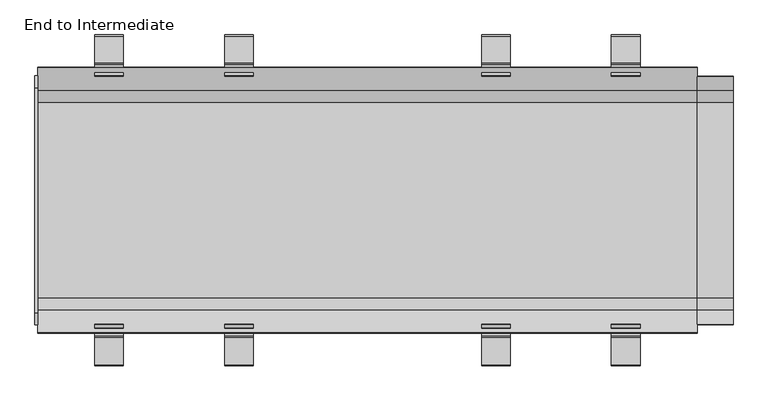
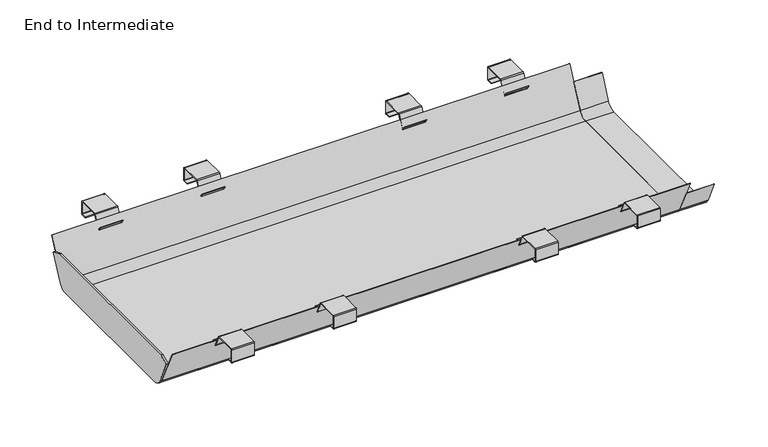
"""IFC4 building model written with IfcOpenShell, lengths in millimetres: furniture geometry, End to Intermediate."""

from ifc_helpers import new_model, si_unit, point, frame, frame_2d, origin, place, context, project, spatial, polyline, circle_curve, trimmed, segment, composite_curve, outline, extrude, source, transform, mapped, element, save


def end_to_intermediate_1614ceb4(model_context):
    return source(origin(), model_context, "Body", "SweptSolid", [
        extrude(outline(composite_curve([segment(trimmed(circle_curve(frame_2d((314.3902006, 688.9500511)), 2.2675383), [point((314.3902006, 691.2175894))], [point((316.6577389, 688.9500511))], False, "CARTESIAN"), True, "CONTINUOUS"), segment(polyline([(316.6577389, 688.9500511), (316.6577389, 658.7282211)]), True, "CONTINUOUS"), segment(trimmed(circle_curve(frame_2d((314.147136, 658.7282211)), 2.5106029), [point((316.6577389, 658.7282211))], [point((314.147136, 656.2176182))], False, "CARTESIAN"), True, "CONTINUOUS"), segment(polyline([(314.147136, 656.2176182), (301.6596991, 656.2176182), (301.6596991, 657.7175993), (314.1843397, 657.7175993)]), True, "CONTINUOUS"), segment(trimmed(circle_curve(frame_2d((314.1843397, 658.6910173)), 0.973418), [point((314.1843397, 657.7175993))], [point((315.1577577, 658.6910173))], True, "CARTESIAN"), True, "CONTINUOUS"), segment(polyline([(315.1577577, 658.6910173), (315.1577577, 688.5126976)]), True, "CONTINUOUS"), segment(trimmed(circle_curve(frame_2d((313.9528471, 688.5126976)), 1.2049106), [point((315.1577577, 688.5126976))], [point((313.9528471, 689.7176083))], True, "CARTESIAN"), True, "CONTINUOUS"), segment(polyline([(313.9528471, 689.7176083), (262.1811743, 689.7176083)]), True, "CONTINUOUS"), segment(trimmed(circle_curve(frame_2d((262.1811743, 688.8265414)), 0.8910668), [point((262.1811743, 689.7176083))], [point((261.3735958, 689.2031275))], True, "CARTESIAN"), True, "CONTINUOUS"), segment(polyline([(261.3735958, 689.2031275), (247.8059576, 660.1076971)]), True, "CONTINUOUS"), segment(trimmed(circle_curve(frame_2d((245.517585, 661.1747998)), 2.524947), [point((247.8059576, 660.1076971))], [point((243.4492366, 659.7265967))], False, "CARTESIAN"), True, "CONTINUOUS"), segment(polyline([(243.4492366, 659.7265967), (237.3549672, 668.4305362), (238.583501, 669.2907232), (244.4904732, 660.8544166)]), True, "CONTINUOUS"), segment(trimmed(circle_curve(frame_2d((245.4846589, 661.5505301)), 1.2136636), [point((244.4904732, 660.8544166))], [point((246.5846085, 661.037607))], True, "CARTESIAN"), True, "CONTINUOUS"), segment(polyline([(246.5846085, 661.037607), (259.8430196, 689.4699085)]), True, "CONTINUOUS"), segment(trimmed(circle_curve(frame_2d((262.5863476, 688.1906532)), 3.0269361), [point((259.8430196, 689.4699085))], [point((262.5863476, 691.2175894))], False, "CARTESIAN"), True, "CONTINUOUS"), segment(polyline([(262.5863476, 691.2175894), (314.3902006, 691.2175894)]), True, "CONTINUOUS")], self_intersect=False)), frame((-522.0245546, 0.0, 0.0), z_axis=(1.0, 0.0, 0.0), x_axis=(0.0, 1.0, 0.0)), (0.0, 0.0, 1.0), 55.0186294),
        extrude(outline(composite_curve([segment(polyline([(-314.3902006, 691.2175894), (-262.5863476, 691.2175894)]), True, "CONTINUOUS"), segment(trimmed(circle_curve(frame_2d((-262.5863476, 688.1906532)), 3.0269361), [point((-262.5863476, 691.2175894))], [point((-259.8430196, 689.4699085))], False, "CARTESIAN"), True, "CONTINUOUS"), segment(polyline([(-259.8430196, 689.4699085), (-246.5846085, 661.037607)]), True, "CONTINUOUS"), segment(trimmed(circle_curve(frame_2d((-245.4846589, 661.5505301)), 1.2136636), [point((-246.5846085, 661.037607))], [point((-244.4904732, 660.8544166))], True, "CARTESIAN"), True, "CONTINUOUS"), segment(polyline([(-244.4904732, 660.8544166), (-238.583501, 669.2907232), (-237.3549672, 668.4305362), (-243.4492366, 659.7265967)]), True, "CONTINUOUS"), segment(trimmed(circle_curve(frame_2d((-245.517585, 661.1747998)), 2.524947), [point((-243.4492366, 659.7265967))], [point((-247.8059576, 660.1076971))], False, "CARTESIAN"), True, "CONTINUOUS"), segment(polyline([(-247.8059576, 660.1076971), (-261.3735958, 689.2031275)]), True, "CONTINUOUS"), segment(trimmed(circle_curve(frame_2d((-262.1811743, 688.8265414)), 0.8910668), [point((-261.3735958, 689.2031275))], [point((-262.1811743, 689.7176083))], True, "CARTESIAN"), True, "CONTINUOUS"), segment(polyline([(-262.1811743, 689.7176083), (-313.9528471, 689.7176083)]), True, "CONTINUOUS"), segment(trimmed(circle_curve(frame_2d((-313.9528471, 688.5126976)), 1.2049106), [point((-313.9528471, 689.7176083))], [point((-315.1577577, 688.5126976))], True, "CARTESIAN"), True, "CONTINUOUS"), segment(polyline([(-315.1577577, 688.5126976), (-315.1577577, 658.6910173)]), True, "CONTINUOUS"), segment(trimmed(circle_curve(frame_2d((-314.1843397, 658.6910173)), 0.973418), [point((-315.1577577, 658.6910173))], [point((-314.1843397, 657.7175993))], True, "CARTESIAN"), True, "CONTINUOUS"), segment(polyline([(-314.1843397, 657.7175993), (-301.6596991, 657.7175993), (-301.6596991, 656.2176182), (-314.147136, 656.2176182)]), True, "CONTINUOUS"), segment(trimmed(circle_curve(frame_2d((-314.147136, 658.7282211)), 2.5106029), [point((-314.147136, 656.2176182))], [point((-316.6577389, 658.7282211))], False, "CARTESIAN"), True, "CONTINUOUS"), segment(polyline([(-316.6577389, 658.7282211), (-316.6577389, 688.9500511)]), True, "CONTINUOUS"), segment(trimmed(circle_curve(frame_2d((-314.3902006, 688.9500511)), 2.2675383), [point((-316.6577389, 688.9500511))], [point((-314.3902006, 691.2175894))], False, "CARTESIAN"), True, "CONTINUOUS")], self_intersect=False)), frame((-522.0245546, 0.0, 0.0), z_axis=(1.0, 0.0, 0.0), x_axis=(0.0, 1.0, 0.0)), (0.0, 0.0, 1.0), 55.0186294),
        extrude(outline(composite_curve([segment(trimmed(circle_curve(frame_2d((314.3902006, 688.9500511)), 2.2675383), [point((314.3902006, 691.2175894))], [point((316.6577389, 688.9500511))], False, "CARTESIAN"), True, "CONTINUOUS"), segment(polyline([(316.6577389, 688.9500511), (316.6577389, 658.7282211)]), True, "CONTINUOUS"), segment(trimmed(circle_curve(frame_2d((314.147136, 658.7282211)), 2.5106029), [point((316.6577389, 658.7282211))], [point((314.147136, 656.2176182))], False, "CARTESIAN"), True, "CONTINUOUS"), segment(polyline([(314.147136, 656.2176182), (301.6596991, 656.2176182), (301.6596991, 657.7175993), (314.1843397, 657.7175993)]), True, "CONTINUOUS"), segment(trimmed(circle_curve(frame_2d((314.1843397, 658.6910173)), 0.973418), [point((314.1843397, 657.7175993))], [point((315.1577577, 658.6910173))], True, "CARTESIAN"), True, "CONTINUOUS"), segment(polyline([(315.1577577, 658.6910173), (315.1577577, 688.5126976)]), True, "CONTINUOUS"), segment(trimmed(circle_curve(frame_2d((313.9528471, 688.5126976)), 1.2049106), [point((315.1577577, 688.5126976))], [point((313.9528471, 689.7176083))], True, "CARTESIAN"), True, "CONTINUOUS"), segment(polyline([(313.9528471, 689.7176083), (262.1811743, 689.7176083)]), True, "CONTINUOUS"), segment(trimmed(circle_curve(frame_2d((262.1811743, 688.8265414)), 0.8910668), [point((262.1811743, 689.7176083))], [point((261.3735958, 689.2031275))], True, "CARTESIAN"), True, "CONTINUOUS"), segment(polyline([(261.3735958, 689.2031275), (247.8059576, 660.1076971)]), True, "CONTINUOUS"), segment(trimmed(circle_curve(frame_2d((245.517585, 661.1747998)), 2.524947), [point((247.8059576, 660.1076971))], [point((243.4492366, 659.7265967))], False, "CARTESIAN"), True, "CONTINUOUS"), segment(polyline([(243.4492366, 659.7265967), (237.3549672, 668.4305362), (238.583501, 669.2907232), (244.4904732, 660.8544166)]), True, "CONTINUOUS"), segment(trimmed(circle_curve(frame_2d((245.4846589, 661.5505301)), 1.2136636), [point((244.4904732, 660.8544166))], [point((246.5846085, 661.037607))], True, "CARTESIAN"), True, "CONTINUOUS"), segment(polyline([(246.5846085, 661.037607), (259.8430196, 689.4699085)]), True, "CONTINUOUS"), segment(trimmed(circle_curve(frame_2d((262.5863476, 688.1906532)), 3.0269361), [point((259.8430196, 689.4699085))], [point((262.5863476, 691.2175894))], False, "CARTESIAN"), True, "CONTINUOUS"), segment(polyline([(262.5863476, 691.2175894), (314.3902006, 691.2175894)]), True, "CONTINUOUS")], self_intersect=False)), frame((-273.4528805, 0.0, 0.0), z_axis=(1.0, 0.0, 0.0), x_axis=(0.0, 1.0, 0.0)), (0.0, 0.0, 1.0), 54.9870932),
        extrude(outline(composite_curve([segment(polyline([(-314.3902006, 691.2175894), (-262.5863476, 691.2175894)]), True, "CONTINUOUS"), segment(trimmed(circle_curve(frame_2d((-262.5863476, 688.1906532)), 3.0269361), [point((-262.5863476, 691.2175894))], [point((-259.8430196, 689.4699085))], False, "CARTESIAN"), True, "CONTINUOUS"), segment(polyline([(-259.8430196, 689.4699085), (-246.5846085, 661.037607)]), True, "CONTINUOUS"), segment(trimmed(circle_curve(frame_2d((-245.4846589, 661.5505301)), 1.2136636), [point((-246.5846085, 661.037607))], [point((-244.4904732, 660.8544166))], True, "CARTESIAN"), True, "CONTINUOUS"), segment(polyline([(-244.4904732, 660.8544166), (-238.583501, 669.2907232), (-237.3549672, 668.4305362), (-243.4492366, 659.7265967)]), True, "CONTINUOUS"), segment(trimmed(circle_curve(frame_2d((-245.517585, 661.1747998)), 2.524947), [point((-243.4492366, 659.7265967))], [point((-247.8059576, 660.1076971))], False, "CARTESIAN"), True, "CONTINUOUS"), segment(polyline([(-247.8059576, 660.1076971), (-261.3735958, 689.2031275)]), True, "CONTINUOUS"), segment(trimmed(circle_curve(frame_2d((-262.1811743, 688.8265414)), 0.8910668), [point((-261.3735958, 689.2031275))], [point((-262.1811743, 689.7176083))], True, "CARTESIAN"), True, "CONTINUOUS"), segment(polyline([(-262.1811743, 689.7176083), (-313.9528471, 689.7176083)]), True, "CONTINUOUS"), segment(trimmed(circle_curve(frame_2d((-313.9528471, 688.5126976)), 1.2049106), [point((-313.9528471, 689.7176083))], [point((-315.1577577, 688.5126976))], True, "CARTESIAN"), True, "CONTINUOUS"), segment(polyline([(-315.1577577, 688.5126976), (-315.1577577, 658.6910173)]), True, "CONTINUOUS"), segment(trimmed(circle_curve(frame_2d((-314.1843397, 658.6910173)), 0.973418), [point((-315.1577577, 658.6910173))], [point((-314.1843397, 657.7175993))], True, "CARTESIAN"), True, "CONTINUOUS"), segment(polyline([(-314.1843397, 657.7175993), (-301.6596991, 657.7175993), (-301.6596991, 656.2176182), (-314.147136, 656.2176182)]), True, "CONTINUOUS"), segment(trimmed(circle_curve(frame_2d((-314.147136, 658.7282211)), 2.5106029), [point((-314.147136, 656.2176182))], [point((-316.6577389, 658.7282211))], False, "CARTESIAN"), True, "CONTINUOUS"), segment(polyline([(-316.6577389, 658.7282211), (-316.6577389, 688.9500511)]), True, "CONTINUOUS"), segment(trimmed(circle_curve(frame_2d((-314.3902006, 688.9500511)), 2.2675383), [point((-316.6577389, 688.9500511))], [point((-314.3902006, 691.2175894))], False, "CARTESIAN"), True, "CONTINUOUS")], self_intersect=False)), frame((-273.4528805, 0.0, 0.0), z_axis=(1.0, 0.0, 0.0), x_axis=(0.0, 1.0, 0.0)), (0.0, 0.0, 1.0), 54.9870932),
        extrude(outline(composite_curve([segment(trimmed(circle_curve(frame_2d((314.3902006, 688.9500511)), 2.2675383), [point((314.3902006, 691.2175894))], [point((316.6577389, 688.9500511))], False, "CARTESIAN"), True, "CONTINUOUS"), segment(polyline([(316.6577389, 688.9500511), (316.6577389, 658.7282211)]), True, "CONTINUOUS"), segment(trimmed(circle_curve(frame_2d((314.147136, 658.7282211)), 2.5106029), [point((316.6577389, 658.7282211))], [point((314.147136, 656.2176182))], False, "CARTESIAN"), True, "CONTINUOUS"), segment(polyline([(314.147136, 656.2176182), (301.6596991, 656.2176182), (301.6596991, 657.7175993), (314.1843397, 657.7175993)]), True, "CONTINUOUS"), segment(trimmed(circle_curve(frame_2d((314.1843397, 658.6910173)), 0.973418), [point((314.1843397, 657.7175993))], [point((315.1577577, 658.6910173))], True, "CARTESIAN"), True, "CONTINUOUS"), segment(polyline([(315.1577577, 658.6910173), (315.1577577, 688.5126976)]), True, "CONTINUOUS"), segment(trimmed(circle_curve(frame_2d((313.9528471, 688.5126976)), 1.2049106), [point((315.1577577, 688.5126976))], [point((313.9528471, 689.7176083))], True, "CARTESIAN"), True, "CONTINUOUS"), segment(polyline([(313.9528471, 689.7176083), (262.1811743, 689.7176083)]), True, "CONTINUOUS"), segment(trimmed(circle_curve(frame_2d((262.1811743, 688.8265414)), 0.8910668), [point((262.1811743, 689.7176083))], [point((261.3735958, 689.2031275))], True, "CARTESIAN"), True, "CONTINUOUS"), segment(polyline([(261.3735958, 689.2031275), (247.8059576, 660.1076971)]), True, "CONTINUOUS"), segment(trimmed(circle_curve(frame_2d((245.517585, 661.1747998)), 2.524947), [point((247.8059576, 660.1076971))], [point((243.4492366, 659.7265967))], False, "CARTESIAN"), True, "CONTINUOUS"), segment(polyline([(243.4492366, 659.7265967), (237.3549672, 668.4305362), (238.583501, 669.2907232), (244.4904732, 660.8544166)]), True, "CONTINUOUS"), segment(trimmed(circle_curve(frame_2d((245.4846589, 661.5505301)), 1.2136636), [point((244.4904732, 660.8544166))], [point((246.5846085, 661.037607))], True, "CARTESIAN"), True, "CONTINUOUS"), segment(polyline([(246.5846085, 661.037607), (259.8430196, 689.4699085)]), True, "CONTINUOUS"), segment(trimmed(circle_curve(frame_2d((262.5863476, 688.1906532)), 3.0269361), [point((259.8430196, 689.4699085))], [point((262.5863476, 691.2175894))], False, "CARTESIAN"), True, "CONTINUOUS"), segment(polyline([(262.5863476, 691.2175894), (314.3902006, 691.2175894)]), True, "CONTINUOUS")], self_intersect=False)), frame((467.0059252, 0.0, 0.0), z_axis=(1.0, 0.0, 0.0), x_axis=(0.0, 1.0, 0.0)), (0.0, 0.0, 1.0), 55.0186294),
        extrude(outline(composite_curve([segment(polyline([(-314.3902006, 691.2175894), (-262.5863476, 691.2175894)]), True, "CONTINUOUS"), segment(trimmed(circle_curve(frame_2d((-262.5863476, 688.1906532)), 3.0269361), [point((-262.5863476, 691.2175894))], [point((-259.8430196, 689.4699085))], False, "CARTESIAN"), True, "CONTINUOUS"), segment(polyline([(-259.8430196, 689.4699085), (-246.5846085, 661.037607)]), True, "CONTINUOUS"), segment(trimmed(circle_curve(frame_2d((-245.4846589, 661.5505301)), 1.2136636), [point((-246.5846085, 661.037607))], [point((-244.4904732, 660.8544166))], True, "CARTESIAN"), True, "CONTINUOUS"), segment(polyline([(-244.4904732, 660.8544166), (-238.583501, 669.2907232), (-237.3549672, 668.4305362), (-243.4492366, 659.7265967)]), True, "CONTINUOUS"), segment(trimmed(circle_curve(frame_2d((-245.517585, 661.1747998)), 2.524947), [point((-243.4492366, 659.7265967))], [point((-247.8059576, 660.1076971))], False, "CARTESIAN"), True, "CONTINUOUS"), segment(polyline([(-247.8059576, 660.1076971), (-261.3735958, 689.2031275)]), True, "CONTINUOUS"), segment(trimmed(circle_curve(frame_2d((-262.1811743, 688.8265414)), 0.8910668), [point((-261.3735958, 689.2031275))], [point((-262.1811743, 689.7176083))], True, "CARTESIAN"), True, "CONTINUOUS"), segment(polyline([(-262.1811743, 689.7176083), (-313.9528471, 689.7176083)]), True, "CONTINUOUS"), segment(trimmed(circle_curve(frame_2d((-313.9528471, 688.5126976)), 1.2049106), [point((-313.9528471, 689.7176083))], [point((-315.1577577, 688.5126976))], True, "CARTESIAN"), True, "CONTINUOUS"), segment(polyline([(-315.1577577, 688.5126976), (-315.1577577, 658.6910173)]), True, "CONTINUOUS"), segment(trimmed(circle_curve(frame_2d((-314.1843397, 658.6910173)), 0.973418), [point((-315.1577577, 658.6910173))], [point((-314.1843397, 657.7175993))], True, "CARTESIAN"), True, "CONTINUOUS"), segment(polyline([(-314.1843397, 657.7175993), (-301.6596991, 657.7175993), (-301.6596991, 656.2176182), (-314.147136, 656.2176182)]), True, "CONTINUOUS"), segment(trimmed(circle_curve(frame_2d((-314.147136, 658.7282211)), 2.5106029), [point((-314.147136, 656.2176182))], [point((-316.6577389, 658.7282211))], False, "CARTESIAN"), True, "CONTINUOUS"), segment(polyline([(-316.6577389, 658.7282211), (-316.6577389, 688.9500511)]), True, "CONTINUOUS"), segment(trimmed(circle_curve(frame_2d((-314.3902006, 688.9500511)), 2.2675383), [point((-316.6577389, 688.9500511))], [point((-314.3902006, 691.2175894))], False, "CARTESIAN"), True, "CONTINUOUS")], self_intersect=False)), frame((467.0059252, 0.0, 0.0), z_axis=(1.0, 0.0, 0.0), x_axis=(0.0, 1.0, 0.0)), (0.0, 0.0, 1.0), 55.0186294),
        extrude(outline(composite_curve([segment(trimmed(circle_curve(frame_2d((314.3902006, 688.9500511)), 2.2675383), [point((314.3902006, 691.2175894))], [point((316.6577389, 688.9500511))], False, "CARTESIAN"), True, "CONTINUOUS"), segment(polyline([(316.6577389, 688.9500511), (316.6577389, 658.7282211)]), True, "CONTINUOUS"), segment(trimmed(circle_curve(frame_2d((314.147136, 658.7282211)), 2.5106029), [point((316.6577389, 658.7282211))], [point((314.147136, 656.2176182))], False, "CARTESIAN"), True, "CONTINUOUS"), segment(polyline([(314.147136, 656.2176182), (301.6596991, 656.2176182), (301.6596991, 657.7175993), (314.1843397, 657.7175993)]), True, "CONTINUOUS"), segment(trimmed(circle_curve(frame_2d((314.1843397, 658.6910173)), 0.973418), [point((314.1843397, 657.7175993))], [point((315.1577577, 658.6910173))], True, "CARTESIAN"), True, "CONTINUOUS"), segment(polyline([(315.1577577, 658.6910173), (315.1577577, 688.5126976)]), True, "CONTINUOUS"), segment(trimmed(circle_curve(frame_2d((313.9528471, 688.5126976)), 1.2049106), [point((315.1577577, 688.5126976))], [point((313.9528471, 689.7176083))], True, "CARTESIAN"), True, "CONTINUOUS"), segment(polyline([(313.9528471, 689.7176083), (262.1811743, 689.7176083)]), True, "CONTINUOUS"), segment(trimmed(circle_curve(frame_2d((262.1811743, 688.8265414)), 0.8910668), [point((262.1811743, 689.7176083))], [point((261.3735958, 689.2031275))], True, "CARTESIAN"), True, "CONTINUOUS"), segment(polyline([(261.3735958, 689.2031275), (247.8059576, 660.1076971)]), True, "CONTINUOUS"), segment(trimmed(circle_curve(frame_2d((245.517585, 661.1747998)), 2.524947), [point((247.8059576, 660.1076971))], [point((243.4492366, 659.7265967))], False, "CARTESIAN"), True, "CONTINUOUS"), segment(polyline([(243.4492366, 659.7265967), (237.3549672, 668.4305362), (238.583501, 669.2907232), (244.4904732, 660.8544166)]), True, "CONTINUOUS"), segment(trimmed(circle_curve(frame_2d((245.4846589, 661.5505301)), 1.2136636), [point((244.4904732, 660.8544166))], [point((246.5846085, 661.037607))], True, "CARTESIAN"), True, "CONTINUOUS"), segment(polyline([(246.5846085, 661.037607), (259.8430196, 689.4699085)]), True, "CONTINUOUS"), segment(trimmed(circle_curve(frame_2d((262.5863476, 688.1906532)), 3.0269361), [point((259.8430196, 689.4699085))], [point((262.5863476, 691.2175894))], False, "CARTESIAN"), True, "CONTINUOUS"), segment(polyline([(262.5863476, 691.2175894), (314.3902006, 691.2175894)]), True, "CONTINUOUS")], self_intersect=False)), frame((218.4657874, 0.0, 0.0), z_axis=(1.0, 0.0, 0.0), x_axis=(0.0, 1.0, 0.0)), (0.0, 0.0, 1.0), 54.9870932),
        extrude(outline(composite_curve([segment(polyline([(-314.3902006, 691.2175894), (-262.5863476, 691.2175894)]), True, "CONTINUOUS"), segment(trimmed(circle_curve(frame_2d((-262.5863476, 688.1906532)), 3.0269361), [point((-262.5863476, 691.2175894))], [point((-259.8430196, 689.4699085))], False, "CARTESIAN"), True, "CONTINUOUS"), segment(polyline([(-259.8430196, 689.4699085), (-246.5846085, 661.037607)]), True, "CONTINUOUS"), segment(trimmed(circle_curve(frame_2d((-245.4846589, 661.5505301)), 1.2136636), [point((-246.5846085, 661.037607))], [point((-244.4904732, 660.8544166))], True, "CARTESIAN"), True, "CONTINUOUS"), segment(polyline([(-244.4904732, 660.8544166), (-238.583501, 669.2907232), (-237.3549672, 668.4305362), (-243.4492366, 659.7265967)]), True, "CONTINUOUS"), segment(trimmed(circle_curve(frame_2d((-245.517585, 661.1747998)), 2.524947), [point((-243.4492366, 659.7265967))], [point((-247.8059576, 660.1076971))], False, "CARTESIAN"), True, "CONTINUOUS"), segment(polyline([(-247.8059576, 660.1076971), (-261.3735958, 689.2031275)]), True, "CONTINUOUS"), segment(trimmed(circle_curve(frame_2d((-262.1811743, 688.8265414)), 0.8910668), [point((-261.3735958, 689.2031275))], [point((-262.1811743, 689.7176083))], True, "CARTESIAN"), True, "CONTINUOUS"), segment(polyline([(-262.1811743, 689.7176083), (-313.9528471, 689.7176083)]), True, "CONTINUOUS"), segment(trimmed(circle_curve(frame_2d((-313.9528471, 688.5126976)), 1.2049106), [point((-313.9528471, 689.7176083))], [point((-315.1577577, 688.5126976))], True, "CARTESIAN"), True, "CONTINUOUS"), segment(polyline([(-315.1577577, 688.5126976), (-315.1577577, 658.6910173)]), True, "CONTINUOUS"), segment(trimmed(circle_curve(frame_2d((-314.1843397, 658.6910173)), 0.973418), [point((-315.1577577, 658.6910173))], [point((-314.1843397, 657.7175993))], True, "CARTESIAN"), True, "CONTINUOUS"), segment(polyline([(-314.1843397, 657.7175993), (-301.6596991, 657.7175993), (-301.6596991, 656.2176182), (-314.147136, 656.2176182)]), True, "CONTINUOUS"), segment(trimmed(circle_curve(frame_2d((-314.147136, 658.7282211)), 2.5106029), [point((-314.147136, 656.2176182))], [point((-316.6577389, 658.7282211))], False, "CARTESIAN"), True, "CONTINUOUS"), segment(polyline([(-316.6577389, 658.7282211), (-316.6577389, 688.9500511)]), True, "CONTINUOUS"), segment(trimmed(circle_curve(frame_2d((-314.3902006, 688.9500511)), 2.2675383), [point((-316.6577389, 688.9500511))], [point((-314.3902006, 691.2175894))], False, "CARTESIAN"), True, "CONTINUOUS")], self_intersect=False)), frame((218.4657874, 0.0, 0.0), z_axis=(1.0, 0.0, 0.0), x_axis=(0.0, 1.0, 0.0)), (0.0, 0.0, 1.0), 54.9870932),
        extrude(outline(composite_curve([segment(polyline([(-236.9729352, 642.5575422), (-210.1530997, 585.0422193)]), True, "CONTINUOUS"), segment(trimmed(circle_curve(frame_2d((-187.495405, 595.6076758)), 25.0), [point((-210.1530997, 585.0422193))], [point((-187.495405, 570.6076758))], True, "CARTESIAN"), True, "CONTINUOUS"), segment(polyline([(-187.495405, 570.6076758), (187.182905, 570.6076758)]), True, "CONTINUOUS"), segment(trimmed(circle_curve(frame_2d((187.182905, 595.6076758)), 25.0), [point((187.182905, 570.6076758))], [point((209.8405997, 585.0422193))], True, "CARTESIAN"), True, "CONTINUOUS"), segment(polyline([(209.8405997, 585.0422193), (236.7257287, 642.6975646), (237.5367758, 642.3193672), (210.7787035, 584.9364958)]), True, "CONTINUOUS"), segment(trimmed(circle_curve(frame_2d((186.8906002, 596.0757013)), 26.3576056), [point((210.7787035, 584.9364958))], [point((186.8906002, 569.7180957))], False, "CARTESIAN"), True, "CONTINUOUS"), segment(polyline([(186.8906002, 569.7180957), (-187.2031002, 569.7180957)]), True, "CONTINUOUS"), segment(trimmed(circle_curve(frame_2d((-187.2031002, 596.0757013)), 26.3576056), [point((-187.2031002, 569.7180957))], [point((-211.0912035, 584.9364958))], False, "CARTESIAN"), True, "CONTINUOUS"), segment(polyline([(-211.0912035, 584.9364958), (-237.7839823, 642.1793448), (-236.9729352, 642.5575422)]), True, "CONTINUOUS")], self_intersect=False)), frame((631.5020169, 0.0, 0.0), z_axis=(1.0, 0.0, 0.0), x_axis=(0.0, 1.0, 0.0)), (0.0, 0.0, 1.0), 68.4979831),
        extrude(outline(composite_curve([segment(polyline([(-215.1916299, 655.6158955), (214.8083701, 655.6158955), (238.3499298, 646.1806751), (209.8405997, 585.0422193)]), True, "CONTINUOUS"), segment(trimmed(circle_curve(frame_2d((187.182905, 595.6076758)), 25.0), [point((209.8405997, 585.0422193))], [point((187.182905, 570.6076758))], False, "CARTESIAN"), True, "CONTINUOUS"), segment(polyline([(187.182905, 570.6076758), (-187.495405, 570.6076758)]), True, "CONTINUOUS"), segment(trimmed(circle_curve(frame_2d((-187.495405, 595.6076758)), 25.0), [point((-187.495405, 570.6076758))], [point((-210.1530997, 585.0422193))], False, "CARTESIAN"), True, "CONTINUOUS"), segment(polyline([(-210.1530997, 585.0422193), (-238.0842986, 644.9408687), (-215.1916299, 655.6158955)]), True, "CONTINUOUS")], self_intersect=False)), frame((-636.502019, 0.0, 0.0), z_axis=(1.0, 0.0, 0.0), x_axis=(0.0, 1.0, 0.0)), (0.0, 0.0, 1.0), 5.000002),
        extrude(outline(composite_curve([segment(polyline([(-253.8833112, 678.8219604), (-210.1530997, 585.0422193)]), True, "CONTINUOUS"), segment(trimmed(circle_curve(frame_2d((-187.495405, 595.6076758)), 25.0), [point((-210.1530997, 585.0422193))], [point((-187.495405, 570.6076758))], True, "CARTESIAN"), True, "CONTINUOUS"), segment(polyline([(-187.495405, 570.6076758), (187.182905, 570.6076758)]), True, "CONTINUOUS"), segment(trimmed(circle_curve(frame_2d((187.182905, 595.6076758)), 25.0), [point((187.182905, 570.6076758))], [point((209.8405997, 585.0422193))], True, "CARTESIAN"), True, "CONTINUOUS"), segment(polyline([(209.8405997, 585.0422193), (253.5708112, 678.8219604), (254.3818582, 678.443763), (210.7787035, 584.9364958)]), True, "CONTINUOUS"), segment(trimmed(circle_curve(frame_2d((186.8906002, 596.0757013)), 26.3576056), [point((210.7787035, 584.9364958))], [point((186.8906002, 569.7180957))], False, "CARTESIAN"), True, "CONTINUOUS"), segment(polyline([(186.8906002, 569.7180957), (-187.2031002, 569.7180957)]), True, "CONTINUOUS"), segment(trimmed(circle_curve(frame_2d((-187.2031002, 596.0757013)), 26.3576056), [point((-187.2031002, 569.7180957))], [point((-211.0912035, 584.9364958))], False, "CARTESIAN"), True, "CONTINUOUS"), segment(polyline([(-211.0912035, 584.9364958), (-254.6943582, 678.443763), (-253.8833112, 678.8219604)]), True, "CONTINUOUS")], self_intersect=False)), frame((-631.5020169, 0.0, 0.0), z_axis=(1.0, 0.0, 0.0), x_axis=(0.0, 1.0, 0.0)), (0.0, 0.0, 1.0), 1263.0040338),
    ])


if __name__ == "__main__":
    model = new_model("IFC4")
    model_context = context("Model", 3, world=origin())
    ifc_project = project(units=[si_unit("LENGTHUNIT", "METRE", prefix="MILLI")], contexts=[model_context])
    site = spatial("IfcSite", under=ifc_project)
    building = spatial("IfcBuilding", under=site)
    placement = place(None, origin())
    end_to_intermediate_shape = end_to_intermediate_1614ceb4(model_context)
    element("IfcFurniture", 1, ObjectType="End to Intermediate", at=placement, inside=building, context=model_context, shape_type="MappedRepresentation", body=[
        mapped(end_to_intermediate_shape, transform((0.0, 0.0, 0.0), x_axis=(1.0, 0.0, 0.0), y_axis=(0.0, 1.0, 0.0), z_axis=(0.0, 0.0, 1.0))),
    ])
    save(model, "model.ifc")
